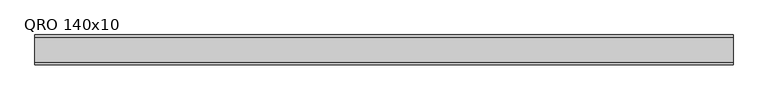
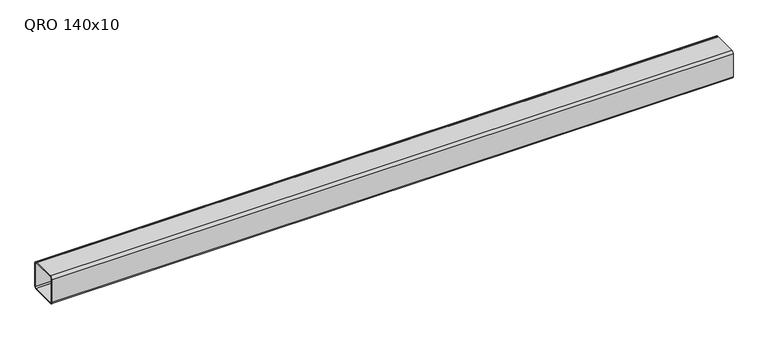
"""IFC4 building model written with IfcOpenShell, lengths in millimetres: beam geometry, QRO 140x10."""

import ifcopenshell
import ifcopenshell.guid

model = None  # the IFC model being written
_history = None  # IfcOwnerHistory: only IFC2X3 demands one
_inside = {}  # id of a spatial element -> (the spatial element, [elements in it])
_under = {}  # id of a project, library or spatial element -> (it, [spatial elements below it])
_declared = {}  # id of a project -> (the project, [libraries it declares])
_typed = {}  # id of a type object -> (the type object, [elements of that type])
_made_of = {}  # id of a material, layer set ... -> (it, [elements and type objects made of it])


def new_model(schema):
    """Start an empty IFC model of exactly this schema.

    Asked for "IFC4X3", IfcOpenShell would pick the latest addendum, in which some entities
    have other attributes; the version numbers below select the first issue.
    IFC2X3 requires an IfcOwnerHistory on every rooted entity: one is made here for all.
    """
    global model, _history
    if schema == "IFC4X3":
        model = ifcopenshell.file(schema_version=(4, 3, 0, 0))
    else:
        model = ifcopenshell.file(schema=schema)
    _inside.clear()
    _under.clear()
    _declared.clear()
    _typed.clear()
    _made_of.clear()
    _history = None
    if model.schema == "IFC2X3":
        org = make("IfcOrganization", Name="unknown")
        user = make(
            "IfcPersonAndOrganization",
            ThePerson=make("IfcPerson", FamilyName="unknown"),
            TheOrganization=org,
        )
        app = make(
            "IfcApplication",
            ApplicationDeveloper=org,
            Version="unknown",
            ApplicationFullName="unknown",
            ApplicationIdentifier="unknown",
        )
        _history = make(
            "IfcOwnerHistory",
            OwningUser=user,
            OwningApplication=app,
            ChangeAction="ADDED",
            CreationDate=0,
        )
    return model


def make(cls, **values):
    """One entity of the class cls with the attributes given. An attribute that is None is left unset."""
    return model.create_entity(
        cls, **{name: value for name, value in values.items() if value is not None}
    )


def rooted(cls, **values):
    """An entity with a GlobalId (a new one), such as an element, a storey or a relation."""
    return make(cls, GlobalId=ifcopenshell.guid.new(), OwnerHistory=_history, **values)


def si_unit(unit_type, name, prefix=None):
    """IfcSIUnit, for example si_unit("LENGTHUNIT", "METRE", prefix="MILLI")."""
    return make("IfcSIUnit", UnitType=unit_type, Prefix=prefix, Name=name)


def assignment(units):
    """IfcUnitAssignment: the units of a project."""
    return None if units is None else make("IfcUnitAssignment", Units=units)


def point(xyz):
    """IfcCartesianPoint."""
    return None if xyz is None else make("IfcCartesianPoint", Coordinates=xyz)


def direction(xyz):
    """IfcDirection."""
    return None if xyz is None else make("IfcDirection", DirectionRatios=xyz)


def frame(location, z_axis=None, x_axis=None):
    """IfcAxis2Placement3D, a coordinate frame: its origin and axes. An axis left out is left unset."""
    return make(
        "IfcAxis2Placement3D",
        Location=point(location),
        Axis=direction(z_axis),
        RefDirection=direction(x_axis),
    )


def frame_2d(location, x_axis=None):
    """IfcAxis2Placement2D, a coordinate frame in the plane: its origin and x axis."""
    return make(
        "IfcAxis2Placement2D", Location=point(location), RefDirection=direction(x_axis)
    )


def origin():
    """The frame at (0, 0, 0) with its axes left unset."""
    return frame((0.0, 0.0, 0.0))


def place(relative_to, where):
    """IfcLocalPlacement: puts the frame where relative to a parent placement (None: the world)."""
    return make(
        "IfcLocalPlacement", PlacementRelTo=relative_to, RelativePlacement=where
    )


def context(
    kind, dimensions, precision=None, world=None, true_north=None, identifier=None
):
    """IfcGeometricRepresentationContext, for example the 3D "Model" context."""
    return make(
        "IfcGeometricRepresentationContext",
        ContextIdentifier=identifier,
        ContextType=kind,
        CoordinateSpaceDimension=dimensions,
        Precision=precision,
        WorldCoordinateSystem=world,
        TrueNorth=true_north,
    )


def project(units=None, contexts=None):
    """IfcProject with its units and contexts."""
    return rooted(
        "IfcProject",
        Name="project",
        RepresentationContexts=contexts,
        UnitsInContext=assignment(units),
    )


def spatial(cls, under=None, at=None, **own):
    """A site, building, storey or space (cls), placed at a placement, below another one or the project."""
    s = rooted(cls, ObjectPlacement=at, **own)
    if under is not None:
        _under.setdefault(under.id(), (under, []))[1].append(s)
    return s


def polyline(points):
    """IfcPolyline through the points."""
    return make("IfcPolyline", Points=[point(p) for p in points])


def circle_curve(where, radius):
    """IfcCircle in the frame where."""
    return make("IfcCircle", Position=where, Radius=radius)


def trimmed(basis, trim1, trim2, sense, master):
    """IfcTrimmedCurve: the piece of a basis curve between two trims."""
    return make(
        "IfcTrimmedCurve",
        BasisCurve=basis,
        Trim1=trim1,
        Trim2=trim2,
        SenseAgreement=sense,
        MasterRepresentation=master,
    )


def segment(curve, same_sense, transition):
    """IfcCompositeCurveSegment."""
    return make(
        "IfcCompositeCurveSegment",
        Transition=transition,
        SameSense=same_sense,
        ParentCurve=curve,
    )


def composite_curve(segments, self_intersect=None):
    """IfcCompositeCurve: segments joined end to end."""
    return make("IfcCompositeCurve", Segments=segments, SelfIntersect=self_intersect)


def outline(outer, holes=None, kind="AREA"):
    """IfcArbitraryClosedProfileDef: a profile drawn as a closed curve; with holes, ...WithVoids."""
    if holes is None:
        return make("IfcArbitraryClosedProfileDef", ProfileType=kind, OuterCurve=outer)
    return make(
        "IfcArbitraryProfileDefWithVoids",
        ProfileType=kind,
        OuterCurve=outer,
        InnerCurves=holes,
    )


def extrude(swept, where, along, depth):
    """IfcExtrudedAreaSolid: the profile swept, set in the frame where, extruded along a direction by depth."""
    return make(
        "IfcExtrudedAreaSolid",
        SweptArea=swept,
        Position=where,
        ExtrudedDirection=direction(along),
        Depth=depth,
    )


def shape(context_of_items, identifier, shape_type, items):
    """IfcShapeRepresentation: the items that make up one representation, for example the "Body"."""
    return make(
        "IfcShapeRepresentation",
        ContextOfItems=context_of_items,
        RepresentationIdentifier=identifier,
        RepresentationType=shape_type,
        Items=items,
    )


def source(mapping_origin, context_of_items, identifier, shape_type, items):
    """IfcRepresentationMap: a shape defined once, which mapped items show again and again."""
    return make(
        "IfcRepresentationMap",
        MappingOrigin=mapping_origin,
        MappedRepresentation=shape(context_of_items, identifier, shape_type, items),
    )


def transform(
    local_origin,
    x_axis=None,
    y_axis=None,
    z_axis=None,
    scale=None,
    scale2=None,
    scale3=None,
    uniform=True,
):
    """IfcCartesianTransformationOperator3D, or its non-uniform kind. x_axis, y_axis, z_axis: its Axis1, 2, 3."""
    if uniform:
        return make(
            "IfcCartesianTransformationOperator3D",
            Axis1=direction(x_axis),
            Axis2=direction(y_axis),
            LocalOrigin=point(local_origin),
            Scale=scale,
            Axis3=direction(z_axis),
        )
    return make(
        "IfcCartesianTransformationOperator3DnonUniform",
        Axis1=direction(x_axis),
        Axis2=direction(y_axis),
        LocalOrigin=point(local_origin),
        Scale=scale,
        Axis3=direction(z_axis),
        Scale2=scale2,
        Scale3=scale3,
    )


def mapped(mapping_source, mapping_target):
    """IfcMappedItem: shows the shape of a source again, moved by a transform."""
    return make(
        "IfcMappedItem", MappingSource=mapping_source, MappingTarget=mapping_target
    )


def made_of(thing, what):
    """Note that an element or type object is made of a material, layer set ...; save() writes the relation."""
    if what is not None:
        _made_of.setdefault(what.id(), (what, []))[1].append(thing)
    return thing


def element(
    cls,
    number,
    at=None,
    inside=None,
    cuts=None,
    type_object=None,
    material=None,
    context=None,
    identifier="Body",
    shape_type=None,
    held_by="IfcProductDefinitionShape",
    body=None,
    shapes=None,
    **own,
):
    """One element of the class cls, such as IfcWall. Its Tag is "e" and its number.

    at: its placement. inside: the storey or other place that contains it. cuts: it is an
    opening in that element (IfcRelVoidsElement). A single representation is given by context,
    identifier, shape_type and body (its items); several are given by shapes. held_by: the class
    of the entity that holds the representations. save() writes the other relations.
    """
    e = rooted(cls, Tag="e%d" % number, ObjectPlacement=at, **own)
    if body is not None:
        shapes = [shape(context, identifier, shape_type, body)]
    if shapes is not None:
        e.Representation = make(held_by, Representations=shapes)
    if inside is not None:
        _inside.setdefault(inside.id(), (inside, []))[1].append(e)
    if cuts is not None:
        rooted(
            "IfcRelVoidsElement", RelatingBuildingElement=cuts, RelatedOpeningElement=e
        )
    if type_object is not None:
        _typed.setdefault(type_object.id(), (type_object, []))[1].append(e)
    return made_of(e, material)


def aggregate(whole, parts):
    """IfcRelAggregates: a whole, such as a stair, and the parts it consists of."""
    return rooted("IfcRelAggregates", RelatingObject=whole, RelatedObjects=parts)


def save(model, path):
    """Write the relations noted so far, then the file.

    IfcRelAggregates (storeys below a building ...), IfcRelContainedInSpatialStructure (elements
    in a storey), IfcRelDefinesByType, IfcRelAssociatesMaterial and IfcRelDeclares: one each for
    every whole, place, type object, material and project.
    """
    for whole, parts in _under.values():
        aggregate(whole, parts)
    for where, things in _inside.values():
        rooted(
            "IfcRelContainedInSpatialStructure",
            RelatedElements=things,
            RelatingStructure=where,
        )
    for kind, things in _typed.values():
        rooted("IfcRelDefinesByType", RelatedObjects=things, RelatingType=kind)
    for what, things in _made_of.values():
        rooted("IfcRelAssociatesMaterial", RelatedObjects=things, RelatingMaterial=what)
    for by, libraries in _declared.values():
        rooted("IfcRelDeclares", RelatingContext=by, RelatedDefinitions=libraries)
    model.write(path)


def qro_140x10_5a712c3b(model_context):
    return source(origin(), model_context, "Body", "SweptSolid", [
        extrude(outline(composite_curve([segment(polyline([(70.0, 58.0), (70.0, -58.0)]), True, "CONTINUOUS"), segment(trimmed(circle_curve(frame_2d((58.0, -58.0)), 12.0), [point((70.0, -58.0))], [point((58.0, -70.0))], False, "CARTESIAN"), True, "CONTINUOUS"), segment(polyline([(58.0, -70.0), (-58.0, -70.0)]), True, "CONTINUOUS"), segment(trimmed(circle_curve(frame_2d((-58.0, -58.0)), 12.0), [point((-58.0, -70.0))], [point((-70.0, -58.0))], False, "CARTESIAN"), True, "CONTINUOUS"), segment(polyline([(-70.0, -58.0), (-70.0, 58.0)]), True, "CONTINUOUS"), segment(trimmed(circle_curve(frame_2d((-58.0, 58.0)), 12.0), [point((-70.0, 58.0))], [point((-58.0, 70.0))], False, "CARTESIAN"), True, "CONTINUOUS"), segment(polyline([(-58.0, 70.0), (58.0, 70.0)]), True, "CONTINUOUS"), segment(trimmed(circle_curve(frame_2d((58.0, 58.0)), 12.0), [point((58.0, 70.0))], [point((70.0, 58.0))], False, "CARTESIAN"), True, "CONTINUOUS")], self_intersect=False), holes=[composite_curve([segment(trimmed(circle_curve(frame_2d((-58.0, 58.0)), 6.0), [point((-58.0, 64.0))], [point((-64.0, 58.0))], True, "CARTESIAN"), True, "CONTINUOUS"), segment(polyline([(-64.0, 58.0), (-64.0, -58.0)]), True, "CONTINUOUS"), segment(trimmed(circle_curve(frame_2d((-58.0, -58.0)), 6.0), [point((-64.0, -58.0))], [point((-58.0, -64.0))], True, "CARTESIAN"), True, "CONTINUOUS"), segment(polyline([(-58.0, -64.0), (58.0, -64.0)]), True, "CONTINUOUS"), segment(trimmed(circle_curve(frame_2d((58.0, -58.0)), 6.0), [point((58.0, -64.0))], [point((64.0, -58.0))], True, "CARTESIAN"), True, "CONTINUOUS"), segment(polyline([(64.0, -58.0), (64.0, 58.0)]), True, "CONTINUOUS"), segment(trimmed(circle_curve(frame_2d((58.0, 58.0)), 6.0), [point((64.0, 58.0))], [point((58.0, 64.0))], True, "CARTESIAN"), True, "CONTINUOUS"), segment(polyline([(58.0, 64.0), (-58.0, 64.0)]), True, "CONTINUOUS")], self_intersect=False)]), frame((-1561.9140594, 0.0, 0.0), z_axis=(1.0, 0.0, 0.0), x_axis=(0.0, 1.0, 0.0)), (0.0, 0.0, 1.0), 3291.9182393),
    ])


if __name__ == "__main__":
    model = new_model("IFC4")
    model_context = context("Model", 3, world=origin())
    ifc_project = project(units=[si_unit("LENGTHUNIT", "METRE", prefix="MILLI")], contexts=[model_context])
    site = spatial("IfcSite", under=ifc_project)
    building = spatial("IfcBuilding", under=site)
    placement = place(None, origin())
    qro_140x10_shape = qro_140x10_5a712c3b(model_context)
    element("IfcBeam", 1, ObjectType="QRO 140x10", at=placement, inside=building, context=model_context, shape_type="MappedRepresentation", body=[
        mapped(qro_140x10_shape, transform((0.0, 0.0, 0.0), x_axis=(1.0, 0.0, 0.0), y_axis=(0.0, 1.0, 0.0), z_axis=(0.0, 0.0, 1.0))),
    ])
    save(model, "model.ifc")
